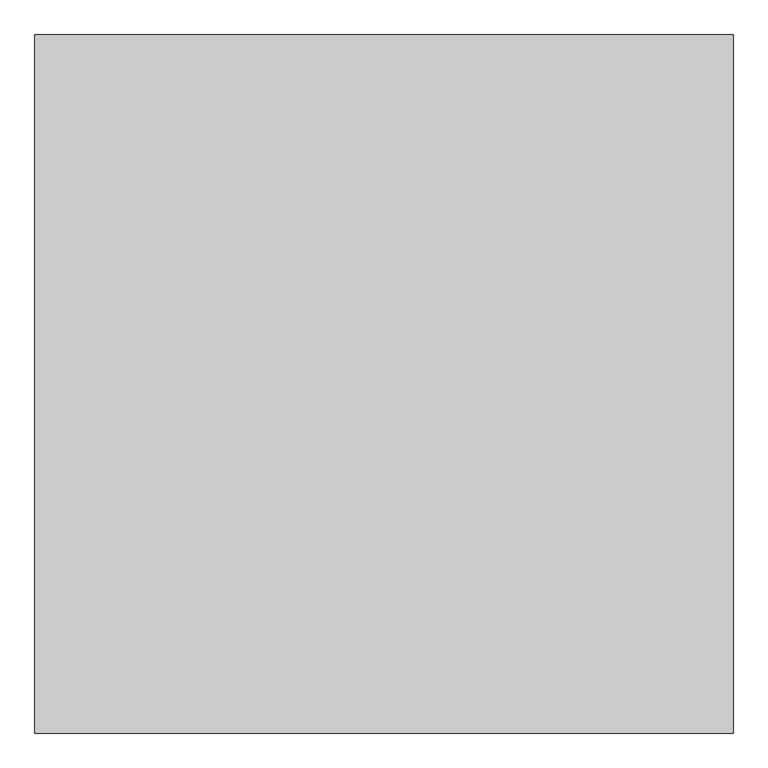
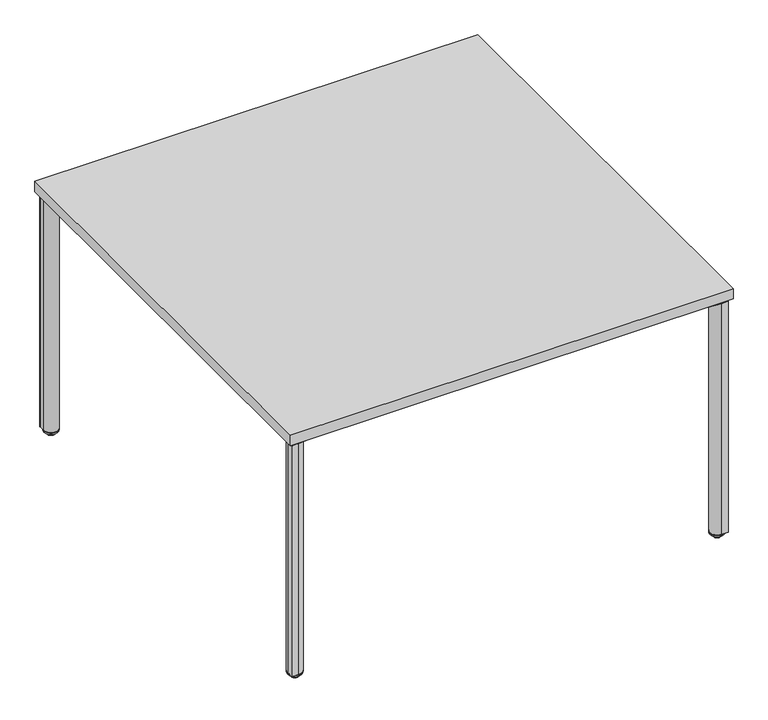
"""IFC4 building model written with IfcOpenShell, lengths in millimetres: furniture geometry."""

from ifc_helpers import new_model, si_unit, point, frame, frame_2d, origin, place, context, project, spatial, polyline, circle_curve, ellipse_curve, trimmed, segment, composite_curve, outline, extrude, source, transform, mapped, element, save
from ifc_brep_helpers import plane_surface, cylinder_surface, revolved_surface, advanced_brep


def furniture_3c464fcd(model_context):
    return source(origin(), model_context, "Body", "SolidModel", [
        extrude(outline(composite_curve([segment(polyline([(1072.9568228, -1162.5527261), (1066.3453386, -1086.9831948)]), True, "CONTINUOUS"), segment(trimmed(circle_curve(frame_2d((1085.3228474, -1085.3228762)), 19.05), [point((1066.3453386, -1086.9831948))], [point((1086.983166, -1066.3453673))], False, "CARTESIAN"), True, "CONTINUOUS"), segment(polyline([(1086.983166, -1066.3453673), (1164.6734847, -1073.1423966)]), True, "CONTINUOUS"), segment(trimmed(circle_curve(frame_2d((1162.7818706, -1094.7636215)), 21.7038146), [point((1164.6734847, -1073.1423966))], [point((1178.128784, -1079.4167059))], False, "CARTESIAN"), True, "CONTINUOUS"), segment(polyline([(1178.128784, -1079.4167059), (1193.7562562, -1095.0441759)]), True, "CONTINUOUS"), segment(trimmed(circle_curve(frame_2d((1172.7913269, -1116.0091081)), 29.6488894), [point((1193.7562562, -1095.0441759))], [point((1202.3273934, -1113.4250373))], False, "CARTESIAN"), True, "CONTINUOUS"), segment(polyline([(1202.3273934, -1113.4250373), (1208.7747643, -1187.1188278), (1208.7747643, -1205.3398699)]), True, "CONTINUOUS"), segment(trimmed(circle_curve(frame_2d((1205.33984, -1205.3398699)), 3.4349243), [point((1208.7747643, -1205.3398699))], [point((1205.33984, -1208.7747942))], False, "CARTESIAN"), True, "CONTINUOUS"), segment(polyline([(1205.33984, -1208.7747942), (1187.1188055, -1208.7747942), (1114.1868378, -1202.3940736)]), True, "CONTINUOUS"), segment(trimmed(circle_curve(frame_2d((1116.9540328, -1170.764892)), 31.75), [point((1114.1868378, -1202.3940736))], [point((1094.5033893, -1193.2155291))], False, "CARTESIAN"), True, "CONTINUOUS"), segment(polyline([(1094.5033893, -1193.2155291), (1080.9220271, -1179.6341631)]), True, "CONTINUOUS"), segment(trimmed(circle_curve(frame_2d((1100.4048647, -1160.1513311)), 27.5528892), [point((1080.9220271, -1179.6341631))], [point((1072.9568228, -1162.5527261))], False, "CARTESIAN"), True, "CONTINUOUS")], self_intersect=False)), frame((0.0, 0.0, 686.384194), z_axis=(0.0, 0.0, 1.0), x_axis=(1.0, 0.0, 0.0)), (0.0, 0.0, 1.0), 7.924807),
        extrude(outline(composite_curve([segment(trimmed(circle_curve(frame_2d((115.624494, -1160.1513311)), 27.5528892), [point((143.0725359, -1162.5527261))], [point((135.1073315, -1179.6341631))], False, "CARTESIAN"), True, "CONTINUOUS"), segment(polyline([(135.1073315, -1179.6341631), (121.5259694, -1193.2155291)]), True, "CONTINUOUS"), segment(trimmed(circle_curve(frame_2d((99.0753259, -1170.764892)), 31.75), [point((121.5259694, -1193.2155291))], [point((101.8425208, -1202.3940736))], False, "CARTESIAN"), True, "CONTINUOUS"), segment(polyline([(101.8425208, -1202.3940736), (28.9105532, -1208.7747942), (10.6895187, -1208.7747942)]), True, "CONTINUOUS"), segment(trimmed(circle_curve(frame_2d((10.6895187, -1205.3398699)), 3.4349243), [point((10.6895187, -1208.7747942))], [point((7.2545944, -1205.3398699))], False, "CARTESIAN"), True, "CONTINUOUS"), segment(polyline([(7.2545944, -1205.3398699), (7.2545944, -1187.1188278), (13.7019653, -1113.4250373)]), True, "CONTINUOUS"), segment(trimmed(circle_curve(frame_2d((43.2380317, -1116.0091081)), 29.6488894), [point((13.7019653, -1113.4250373))], [point((22.2731025, -1095.0441759))], False, "CARTESIAN"), True, "CONTINUOUS"), segment(polyline([(22.2731025, -1095.0441759), (37.9005747, -1079.4167059)]), True, "CONTINUOUS"), segment(trimmed(circle_curve(frame_2d((53.2474881, -1094.7636215)), 21.7038146), [point((37.9005747, -1079.4167059))], [point((51.355874, -1073.1423966))], False, "CARTESIAN"), True, "CONTINUOUS"), segment(polyline([(51.355874, -1073.1423966), (129.0461926, -1066.3453673)]), True, "CONTINUOUS"), segment(trimmed(circle_curve(frame_2d((130.7065113, -1085.3228762)), 19.05), [point((129.0461926, -1066.3453673))], [point((149.6840201, -1086.9831948))], False, "CARTESIAN"), True, "CONTINUOUS"), segment(polyline([(149.6840201, -1086.9831948), (143.0725359, -1162.5527261)]), True, "CONTINUOUS")], self_intersect=False)), frame((0.0, 0.0, 686.384194), z_axis=(0.0, 0.0, 1.0), x_axis=(1.0, 0.0, 0.0)), (0.0, 0.0, 1.0), 7.924807),
        extrude(outline(composite_curve([segment(trimmed(circle_curve(frame_2d((1100.4048647, -55.8736689)), 27.5528892), [point((1072.9568228, -53.4722739))], [point((1080.9220271, -36.3908369))], False, "CARTESIAN"), True, "CONTINUOUS"), segment(polyline([(1080.9220271, -36.3908369), (1094.5033893, -22.8094709)]), True, "CONTINUOUS"), segment(trimmed(circle_curve(frame_2d((1116.9540328, -45.260108)), 31.75), [point((1094.5033893, -22.8094709))], [point((1114.1868378, -13.6309264))], False, "CARTESIAN"), True, "CONTINUOUS"), segment(polyline([(1114.1868378, -13.6309264), (1187.1188055, -7.2502058), (1205.33984, -7.2502058)]), True, "CONTINUOUS"), segment(trimmed(circle_curve(frame_2d((1205.33984, -10.6851301)), 3.4349243), [point((1205.33984, -7.2502058))], [point((1208.7747643, -10.6851301))], False, "CARTESIAN"), True, "CONTINUOUS"), segment(polyline([(1208.7747643, -10.6851301), (1208.7747643, -28.9061722), (1202.3273934, -102.5999627)]), True, "CONTINUOUS"), segment(trimmed(circle_curve(frame_2d((1172.7913269, -100.0158919)), 29.6488894), [point((1202.3273934, -102.5999627))], [point((1193.7562562, -120.9808241))], False, "CARTESIAN"), True, "CONTINUOUS"), segment(polyline([(1193.7562562, -120.9808241), (1178.128784, -136.6082941)]), True, "CONTINUOUS"), segment(trimmed(circle_curve(frame_2d((1162.7818706, -121.2613785)), 21.7038146), [point((1178.128784, -136.6082941))], [point((1164.6734847, -142.8826034))], False, "CARTESIAN"), True, "CONTINUOUS"), segment(polyline([(1164.6734847, -142.8826034), (1086.983166, -149.6796327)]), True, "CONTINUOUS"), segment(trimmed(circle_curve(frame_2d((1085.3228474, -130.7021238)), 19.05), [point((1086.983166, -149.6796327))], [point((1066.3453386, -129.0418052))], False, "CARTESIAN"), True, "CONTINUOUS"), segment(polyline([(1066.3453386, -129.0418052), (1072.9568228, -53.4722739)]), True, "CONTINUOUS")], self_intersect=False)), frame((0.0, 0.0, 686.384194), z_axis=(0.0, 0.0, 1.0), x_axis=(1.0, 0.0, 0.0)), (0.0, 0.0, 1.0), 7.924807),
        extrude(outline(composite_curve([segment(polyline([(143.0725359, -53.4722739), (149.6840201, -129.0418052)]), True, "CONTINUOUS"), segment(trimmed(circle_curve(frame_2d((130.7065113, -130.7021238)), 19.05), [point((149.6840201, -129.0418052))], [point((129.0461926, -149.6796327))], False, "CARTESIAN"), True, "CONTINUOUS"), segment(polyline([(129.0461926, -149.6796327), (51.355874, -142.8826034)]), True, "CONTINUOUS"), segment(trimmed(circle_curve(frame_2d((53.2474881, -121.2613785)), 21.7038146), [point((51.355874, -142.8826034))], [point((37.9005747, -136.6082941))], False, "CARTESIAN"), True, "CONTINUOUS"), segment(polyline([(37.9005747, -136.6082941), (22.2731025, -120.9808241)]), True, "CONTINUOUS"), segment(trimmed(circle_curve(frame_2d((43.2380317, -100.0158919)), 29.6488894), [point((22.2731025, -120.9808241))], [point((13.7019653, -102.5999627))], False, "CARTESIAN"), True, "CONTINUOUS"), segment(polyline([(13.7019653, -102.5999627), (7.2545944, -28.9061722), (7.2545944, -10.6851301)]), True, "CONTINUOUS"), segment(trimmed(circle_curve(frame_2d((10.6895187, -10.6851301)), 3.4349243), [point((7.2545944, -10.6851301))], [point((10.6895187, -7.2502058))], False, "CARTESIAN"), True, "CONTINUOUS"), segment(polyline([(10.6895187, -7.2502058), (28.9105532, -7.2502058), (101.8425208, -13.6309264)]), True, "CONTINUOUS"), segment(trimmed(circle_curve(frame_2d((99.0753259, -45.260108)), 31.75), [point((101.8425208, -13.6309264))], [point((121.5259694, -22.8094709))], False, "CARTESIAN"), True, "CONTINUOUS"), segment(polyline([(121.5259694, -22.8094709), (135.1073315, -36.3908369)]), True, "CONTINUOUS"), segment(trimmed(circle_curve(frame_2d((115.624494, -55.8736689)), 27.5528892), [point((135.1073315, -36.3908369))], [point((143.0725359, -53.4722739))], False, "CARTESIAN"), True, "CONTINUOUS")], self_intersect=False)), frame((0.0, 0.0, 686.384194), z_axis=(0.0, 0.0, 1.0), x_axis=(1.0, 0.0, 0.0)), (0.0, 0.0, 1.0), 7.924807),
        advanced_brep(
        [(1188.0247953, -1168.0447732, 12.8144714), (1188.0247953, -1207.9960971, 12.8144714), (1188.0247953, -1203.0518018, 7.8701761), (1188.0247953, -1172.9890685, 7.8701761), (1188.0247953, -1202.0261175, 7.8701761), (1188.0247953, -1174.0147527, 7.8701761), (1188.0247953, -1202.0261175, 7.0593297), (1188.0247953, -1174.0147527, 7.0593297), (1188.0247953, -1200.1845745, 2.623811), (1188.0247953, -1175.8562958, 2.623811), (1188.0247953, -1197.8068594, 0.2460959), (1188.0247953, -1178.2340109, 0.2460959), (1188.0247953, -1196.8884169, 0.0), (1188.0247953, -1179.1524534, 0.0), (1188.0247953, -1188.0204351, 0.0), (1188.0247953, -1188.0204351, 15.24), (1188.0247953, -1207.9960971, 15.24), (1188.0247953, -1168.0447732, 15.24)],
        [
            (0, 1, circle_curve(frame((1188.0247953, -1188.0204351, 12.8144714), z_axis=(0.0, 0.0, -1.0), x_axis=(0.0, -1.0, 0.0)), 19.9756619)),
            (1, 2, circle_curve(frame((1188.0247953, -1203.0518018, 12.8144714), z_axis=(1.0, 0.0, 0.0), x_axis=(0.0, 1.0, 0.0)), 4.9442953)),
            (2, 3, circle_curve(frame((1188.0247953, -1188.0204351, 7.8701761), z_axis=(0.0, 0.0, 1.0), x_axis=(0.0, -1.0, 0.0)), 15.0313666)),
            (3, 0, circle_curve(frame((1188.0247953, -1172.9890685, 12.8144714), z_axis=(1.0, 0.0, 0.0), x_axis=(0.0, -1.0, 0.0)), 4.9442953)),
            (1, 0, circle_curve(frame((1188.0247953, -1188.0204351, 12.8144714), z_axis=(0.0, 0.0, -1.0), x_axis=(0.0, -1.0, 0.0)), 19.9756619)),
            (3, 2, circle_curve(frame((1188.0247953, -1188.0204351, 7.8701761), z_axis=(0.0, 0.0, 1.0), x_axis=(0.0, -1.0, 0.0)), 15.0313666)),
            (2, 4),
            (4, 5, circle_curve(frame((1188.0247953, -1188.0204351, 7.8701761), z_axis=(0.0, 0.0, 1.0), x_axis=(0.0, -1.0, 0.0)), 14.0056824)),
            (5, 3),
            (5, 4, circle_curve(frame((1188.0247953, -1188.0204351, 7.8701761), z_axis=(0.0, 0.0, 1.0), x_axis=(0.0, -1.0, 0.0)), 14.0056824)),
            (4, 6),
            (6, 7, circle_curve(frame((1188.0247953, -1188.0204351, 7.0593297), z_axis=(0.0, 0.0, 1.0), x_axis=(0.0, -1.0, 0.0)), 14.0056824)),
            (7, 5),
            (7, 6, circle_curve(frame((1188.0247953, -1188.0204351, 7.0593297), z_axis=(0.0, 0.0, 1.0), x_axis=(0.0, -1.0, 0.0)), 14.0056824)),
            (6, 8),
            (8, 9, circle_curve(frame((1188.0247953, -1188.0204351, 2.623811), z_axis=(0.0, 0.0, 1.0), x_axis=(0.0, -1.0, 0.0)), 12.1641393)),
            (9, 7),
            (9, 8, circle_curve(frame((1188.0247953, -1188.0204351, 2.623811), z_axis=(0.0, 0.0, 1.0), x_axis=(0.0, -1.0, 0.0)), 12.1641393)),
            (8, 10),
            (10, 11, circle_curve(frame((1188.0247953, -1188.0204351, 0.2460959), z_axis=(0.0, 0.0, 1.0), x_axis=(0.0, -1.0, 0.0)), 9.7864243)),
            (11, 9),
            (11, 10, circle_curve(frame((1188.0247953, -1188.0204351, 0.2460959), z_axis=(0.0, 0.0, 1.0), x_axis=(0.0, -1.0, 0.0)), 9.7864243)),
            (10, 12),
            (12, 13, circle_curve(frame((1188.0247953, -1188.0204351, 0.0), z_axis=(0.0, 0.0, 1.0), x_axis=(0.0, -1.0, 0.0)), 8.8679818)),
            (13, 11),
            (13, 12, circle_curve(frame((1188.0247953, -1188.0204351, 0.0), z_axis=(0.0, 0.0, 1.0), x_axis=(0.0, -1.0, 0.0)), 8.8679818)),
            (12, 14),
            (14, 13),
            (15, 16),
            (16, 17, circle_curve(frame((1188.0247953, -1188.0204351, 15.24), z_axis=(0.0, 0.0, 1.0), x_axis=(0.0, -1.0, 0.0)), 19.9756619)),
            (17, 15),
            (17, 16, circle_curve(frame((1188.0247953, -1188.0204351, 15.24), z_axis=(0.0, 0.0, 1.0), x_axis=(0.0, -1.0, 0.0)), 19.9756619)),
            (16, 1),
            (0, 17),
        ],
        [
            revolved_surface(trimmed(ellipse_curve(frame((1188.0247953, -1203.0518018, 12.8144714), z_axis=(-1.0, 0.0, 0.0), x_axis=(0.0, 1.0, 0.0)), 4.9442953, 4.9442953), [point((1188.0247953, -1203.0518018, 7.8701761))], [point((1188.0247953, -1207.9960971, 12.8144714))], True, "CARTESIAN"), (1188.0247953, -1188.0204351, 40.64), (0.0, 0.0, 1.0)),
            plane_surface(frame((1188.0247953, -1188.0204351, 7.8701761), z_axis=(0.0, 0.0, -1.0), x_axis=(0.0, -1.0, 0.0))),
            cylinder_surface(frame((1188.0247953, -1188.0204351, 40.64), z_axis=(0.0, 0.0, 1.0), x_axis=(0.0, -1.0, 0.0)), 14.0056824),
            revolved_surface(polyline([(1188.0247953, -1200.1845745, 2.623811), (1188.0247953, -1202.0261175, 7.0593297)]), (1188.0247953, -1188.0204351, 40.64), (0.0, 0.0, 1.0)),
            revolved_surface(polyline([(1188.0247953, -1197.8068594, 0.2460959), (1188.0247953, -1200.1845745, 2.623811)]), (1188.0247953, -1188.0204351, 40.64), (0.0, 0.0, 1.0)),
            revolved_surface(polyline([(1188.0247953, -1196.8884169, 0.0), (1188.0247953, -1197.8068594, 0.2460959)]), (1188.0247953, -1188.0204351, 40.64), (0.0, 0.0, 1.0)),
            plane_surface(frame((1188.0247953, -1188.0204351, 0.0), z_axis=(0.0, 0.0, -1.0), x_axis=(0.0, -1.0, 0.0))),
            plane_surface(frame((1188.0247953, -1188.0204351, 15.24), z_axis=(0.0, 0.0, 1.0), x_axis=(0.0, -1.0, 0.0))),
            cylinder_surface(frame((1188.0247953, -1188.0204351, 40.64), z_axis=(0.0, 0.0, 1.0), x_axis=(0.0, -1.0, 0.0)), 19.9756619),
        ],
        [
            (0, [[1, 2, 3, 4]]),
            (0, [[5, -4, 6, -2]]),
            (1, [[-3, 7, 8, 9]]),
            (1, [[-6, -9, 10, -7]]),
            (2, [[-8, 11, 12, 13]]),
            (2, [[-10, -13, 14, -11]]),
            (3, [[-12, 15, 16, 17]]),
            (3, [[-14, -17, 18, -15]]),
            (4, [[-16, 19, 20, 21]]),
            (4, [[-18, -21, 22, -19]]),
            (5, [[-20, 23, 24, 25]]),
            (5, [[-22, -25, 26, -23]]),
            (6, [[-24, 27, 28]]),
            (6, [[-26, -28, -27]]),
            (7, [[29, 30, 31]]),
            (7, [[-31, 32, -29]]),
            (8, [[-30, 33, -1, 34]]),
            (8, [[-32, -34, -5, -33]]),
        ],
    ),
        advanced_brep(
        [(27.9796875, -1172.9890685, 7.8701761), (27.9796875, -1203.0518018, 7.8701761), (27.9796875, -1207.9960971, 12.8144714), (27.9796875, -1168.0447732, 12.8144714), (27.9796875, -1174.0147527, 7.8701761), (27.9796875, -1202.0261175, 7.8701761), (27.9796875, -1174.0147527, 7.0593297), (27.9796875, -1202.0261175, 7.0593297), (27.9796875, -1175.8562958, 2.623811), (27.9796875, -1200.1845745, 2.623811), (27.9796875, -1178.2340109, 0.2460959), (27.9796875, -1197.8068594, 0.2460959), (27.9796875, -1179.1524534, 0.0), (27.9796875, -1196.8884169, 0.0), (27.9796875, -1188.0204351, 0.0), (27.9796875, -1168.0447732, 15.24), (27.9796875, -1207.9960971, 15.24), (27.9796875, -1188.0204351, 15.24)],
        [
            (0, 1, circle_curve(frame((27.9796875, -1188.0204351, 7.8701761), z_axis=(0.0, 0.0, 1.0), x_axis=(0.0, -1.0, 0.0)), 15.0313666)),
            (1, 2, circle_curve(frame((27.9796875, -1203.0518018, 12.8144714), z_axis=(-1.0, 0.0, 0.0), x_axis=(0.0, 1.0, 0.0)), 4.9442953)),
            (2, 3, circle_curve(frame((27.9796875, -1188.0204351, 12.8144714), z_axis=(0.0, 0.0, -1.0), x_axis=(0.0, -1.0, 0.0)), 19.9756619)),
            (3, 0, circle_curve(frame((27.9796875, -1172.9890685, 12.8144714), z_axis=(-1.0, 0.0, 0.0), x_axis=(0.0, -1.0, 0.0)), 4.9442953)),
            (1, 0, circle_curve(frame((27.9796875, -1188.0204351, 7.8701761), z_axis=(0.0, 0.0, 1.0), x_axis=(0.0, -1.0, 0.0)), 15.0313666)),
            (3, 2, circle_curve(frame((27.9796875, -1188.0204351, 12.8144714), z_axis=(0.0, 0.0, -1.0), x_axis=(0.0, -1.0, 0.0)), 19.9756619)),
            (4, 5, circle_curve(frame((27.9796875, -1188.0204351, 7.8701761), z_axis=(0.0, 0.0, 1.0), x_axis=(0.0, -1.0, 0.0)), 14.0056824)),
            (5, 1),
            (0, 4),
            (5, 4, circle_curve(frame((27.9796875, -1188.0204351, 7.8701761), z_axis=(0.0, 0.0, 1.0), x_axis=(0.0, -1.0, 0.0)), 14.0056824)),
            (6, 7, circle_curve(frame((27.9796875, -1188.0204351, 7.0593297), z_axis=(0.0, 0.0, 1.0), x_axis=(0.0, -1.0, 0.0)), 14.0056824)),
            (7, 5),
            (4, 6),
            (7, 6, circle_curve(frame((27.9796875, -1188.0204351, 7.0593297), z_axis=(0.0, 0.0, 1.0), x_axis=(0.0, -1.0, 0.0)), 14.0056824)),
            (8, 9, circle_curve(frame((27.9796875, -1188.0204351, 2.623811), z_axis=(0.0, 0.0, 1.0), x_axis=(0.0, -1.0, 0.0)), 12.1641393)),
            (9, 7),
            (6, 8),
            (9, 8, circle_curve(frame((27.9796875, -1188.0204351, 2.623811), z_axis=(0.0, 0.0, 1.0), x_axis=(0.0, -1.0, 0.0)), 12.1641393)),
            (10, 11, circle_curve(frame((27.9796875, -1188.0204351, 0.2460959), z_axis=(0.0, 0.0, 1.0), x_axis=(0.0, -1.0, 0.0)), 9.7864243)),
            (11, 9),
            (8, 10),
            (11, 10, circle_curve(frame((27.9796875, -1188.0204351, 0.2460959), z_axis=(0.0, 0.0, 1.0), x_axis=(0.0, -1.0, 0.0)), 9.7864243)),
            (12, 13, circle_curve(frame((27.9796875, -1188.0204351, 0.0), z_axis=(0.0, 0.0, 1.0), x_axis=(0.0, -1.0, 0.0)), 8.8679818)),
            (13, 11),
            (10, 12),
            (13, 12, circle_curve(frame((27.9796875, -1188.0204351, 0.0), z_axis=(0.0, 0.0, 1.0), x_axis=(0.0, -1.0, 0.0)), 8.8679818)),
            (14, 13),
            (12, 14),
            (15, 16, circle_curve(frame((27.9796875, -1188.0204351, 15.24), z_axis=(0.0, 0.0, 1.0), x_axis=(0.0, -1.0, 0.0)), 19.9756619)),
            (16, 17),
            (17, 15),
            (16, 15, circle_curve(frame((27.9796875, -1188.0204351, 15.24), z_axis=(0.0, 0.0, 1.0), x_axis=(0.0, -1.0, 0.0)), 19.9756619)),
            (2, 16),
            (15, 3),
        ],
        [
            revolved_surface(trimmed(ellipse_curve(frame((27.9796875, -1203.0518018, 12.8144714), z_axis=(1.0, 0.0, 0.0), x_axis=(0.0, 1.0, 0.0)), 4.9442953, 4.9442953), [point((27.9796875, -1207.9960971, 12.8144714))], [point((27.9796875, -1203.0518018, 7.8701761))], True, "CARTESIAN"), (27.9796875, -1188.0204351, 40.64), (0.0, 0.0, -1.0)),
            plane_surface(frame((27.9796875, -1188.0204351, 7.8701761), z_axis=(0.0, 0.0, -1.0), x_axis=(0.0, -1.0, 0.0))),
            cylinder_surface(frame((27.9796875, -1188.0204351, 40.64), z_axis=(0.0, 0.0, -1.0), x_axis=(0.0, -1.0, 0.0)), 14.0056824),
            revolved_surface(polyline([(27.9796875, -1202.0261175, 7.0593297), (27.9796875, -1200.1845745, 2.623811)]), (27.9796875, -1188.0204351, 40.64), (0.0, 0.0, -1.0)),
            revolved_surface(polyline([(27.9796875, -1200.1845745, 2.623811), (27.9796875, -1197.8068594, 0.2460959)]), (27.9796875, -1188.0204351, 40.64), (0.0, 0.0, -1.0)),
            revolved_surface(polyline([(27.9796875, -1197.8068594, 0.2460959), (27.9796875, -1196.8884169, 0.0)]), (27.9796875, -1188.0204351, 40.64), (0.0, 0.0, -1.0)),
            plane_surface(frame((27.9796875, -1188.0204351, 0.0), z_axis=(0.0, 0.0, -1.0), x_axis=(0.0, -1.0, 0.0))),
            plane_surface(frame((27.9796875, -1188.0204351, 15.24), z_axis=(0.0, 0.0, 1.0), x_axis=(0.0, -1.0, 0.0))),
            cylinder_surface(frame((27.9796875, -1188.0204351, 40.64), z_axis=(0.0, 0.0, -1.0), x_axis=(0.0, -1.0, 0.0)), 19.9756619),
        ],
        [
            (0, [[1, 2, 3, 4]]),
            (0, [[5, -4, 6, -2]]),
            (1, [[7, 8, -1, 9]]),
            (1, [[10, -9, -5, -8]]),
            (2, [[11, 12, -7, 13]]),
            (2, [[14, -13, -10, -12]]),
            (3, [[15, 16, -11, 17]]),
            (3, [[18, -17, -14, -16]]),
            (4, [[19, 20, -15, 21]]),
            (4, [[22, -21, -18, -20]]),
            (5, [[23, 24, -19, 25]]),
            (5, [[26, -25, -22, -24]]),
            (6, [[27, -23, 28]]),
            (6, [[-28, -26, -27]]),
            (7, [[29, 30, 31]]),
            (7, [[32, -31, -30]]),
            (8, [[-3, 33, -29, 34]]),
            (8, [[-6, -34, -32, -33]]),
        ],
    ),
        advanced_brep(
        [(1168.0120074, -27.9300781, 12.7759073), (1208.0127953, -27.9300781, 12.7759073), (1203.1070641, -27.9300781, 7.8701761), (1172.9177386, -27.9300781, 7.8701761), (1202.0840387, -27.9300781, 7.8701761), (1173.940764, -27.9300781, 7.8701761), (1202.0840387, -27.9300781, 7.0593297), (1173.940764, -27.9300781, 7.0593297), (1200.2012727, -27.9300781, 2.623811), (1175.82353, -27.9300781, 2.623811), (1197.8235576, -27.9300781, 0.2460959), (1178.201245, -27.9300781, 0.2460959), (1196.9051151, -27.9300781, 0.0), (1179.1196875, -27.9300781, 0.0), (1188.0124013, -27.9300781, 0.0), (1188.0124013, -27.9300781, 15.24), (1208.0127953, -27.9300781, 15.24), (1168.0120074, -27.9300781, 15.24)],
        [
            (0, 1, circle_curve(frame((1188.0124013, -27.9300781, 12.7759073), z_axis=(0.0, 0.0, -1.0), x_axis=(1.0, 0.0, 0.0)), 20.0003939)),
            (1, 2, circle_curve(frame((1203.1070641, -27.9300781, 12.7759073), z_axis=(0.0, 1.0, 0.0), x_axis=(-1.0, 0.0, 0.0)), 4.9057312)),
            (2, 3, circle_curve(frame((1188.0124013, -27.9300781, 7.8701761), z_axis=(0.0, 0.0, 1.0), x_axis=(1.0, 0.0, 0.0)), 15.0946628)),
            (3, 0, circle_curve(frame((1172.9177386, -27.9300781, 12.7759073), z_axis=(0.0, 1.0, 0.0), x_axis=(1.0, 0.0, 0.0)), 4.9057312)),
            (1, 0, circle_curve(frame((1188.0124013, -27.9300781, 12.7759073), z_axis=(0.0, 0.0, -1.0), x_axis=(1.0, 0.0, 0.0)), 20.0003939)),
            (3, 2, circle_curve(frame((1188.0124013, -27.9300781, 7.8701761), z_axis=(0.0, 0.0, 1.0), x_axis=(1.0, 0.0, 0.0)), 15.0946628)),
            (2, 4),
            (4, 5, circle_curve(frame((1188.0124013, -27.9300781, 7.8701761), z_axis=(0.0, 0.0, 1.0), x_axis=(1.0, 0.0, 0.0)), 14.0716373)),
            (5, 3),
            (5, 4, circle_curve(frame((1188.0124013, -27.9300781, 7.8701761), z_axis=(0.0, 0.0, 1.0), x_axis=(1.0, 0.0, 0.0)), 14.0716373)),
            (4, 6),
            (6, 7, circle_curve(frame((1188.0124013, -27.9300781, 7.0593297), z_axis=(0.0, 0.0, 1.0), x_axis=(1.0, 0.0, 0.0)), 14.0716373)),
            (7, 5),
            (7, 6, circle_curve(frame((1188.0124013, -27.9300781, 7.0593297), z_axis=(0.0, 0.0, 1.0), x_axis=(1.0, 0.0, 0.0)), 14.0716373)),
            (6, 8),
            (8, 9, circle_curve(frame((1188.0124013, -27.9300781, 2.623811), z_axis=(0.0, 0.0, 1.0), x_axis=(1.0, 0.0, 0.0)), 12.1888713)),
            (9, 7),
            (9, 8, circle_curve(frame((1188.0124013, -27.9300781, 2.623811), z_axis=(0.0, 0.0, 1.0), x_axis=(1.0, 0.0, 0.0)), 12.1888713)),
            (8, 10),
            (10, 11, circle_curve(frame((1188.0124013, -27.9300781, 0.2460959), z_axis=(0.0, 0.0, 1.0), x_axis=(1.0, 0.0, 0.0)), 9.8111563)),
            (11, 9),
            (11, 10, circle_curve(frame((1188.0124013, -27.9300781, 0.2460959), z_axis=(0.0, 0.0, 1.0), x_axis=(1.0, 0.0, 0.0)), 9.8111563)),
            (10, 12),
            (12, 13, circle_curve(frame((1188.0124013, -27.9300781, 0.0), z_axis=(0.0, 0.0, 1.0), x_axis=(1.0, 0.0, 0.0)), 8.8927138)),
            (13, 11),
            (13, 12, circle_curve(frame((1188.0124013, -27.9300781, 0.0), z_axis=(0.0, 0.0, 1.0), x_axis=(1.0, 0.0, 0.0)), 8.8927138)),
            (12, 14),
            (14, 13),
            (15, 16),
            (16, 17, circle_curve(frame((1188.0124013, -27.9300781, 15.24), z_axis=(0.0, 0.0, 1.0), x_axis=(1.0, 0.0, 0.0)), 20.0003939)),
            (17, 15),
            (17, 16, circle_curve(frame((1188.0124013, -27.9300781, 15.24), z_axis=(0.0, 0.0, 1.0), x_axis=(1.0, 0.0, 0.0)), 20.0003939)),
            (16, 1),
            (0, 17),
        ],
        [
            revolved_surface(trimmed(ellipse_curve(frame((1203.1070641, -27.9300781, 12.7759073), z_axis=(0.0, -1.0, 0.0), x_axis=(-1.0, 0.0, 0.0)), 4.9057312, 4.9057312), [point((1203.1070641, -27.9300781, 7.8701761))], [point((1208.0127953, -27.9300781, 12.7759073))], True, "CARTESIAN"), (1188.0124013, -27.9300781, -11.2120944), (0.0, 0.0, 1.0)),
            plane_surface(frame((1188.0124013, -27.9300781, 7.8701761), z_axis=(0.0, 0.0, -1.0), x_axis=(1.0, 0.0, 0.0))),
            cylinder_surface(frame((1188.0124013, -27.9300781, -11.2120944), z_axis=(0.0, 0.0, 1.0), x_axis=(1.0, 0.0, 0.0)), 14.0716373),
            revolved_surface(polyline([(1200.2012727, -27.9300781, 2.623811), (1202.0840387, -27.9300781, 7.0593297)]), (1188.0124013, -27.9300781, -11.2120944), (0.0, 0.0, 1.0)),
            revolved_surface(polyline([(1197.8235576, -27.9300781, 0.2460959), (1200.2012727, -27.9300781, 2.623811)]), (1188.0124013, -27.9300781, -11.2120944), (0.0, 0.0, 1.0)),
            revolved_surface(polyline([(1196.9051151, -27.9300781, 0.0), (1197.8235576, -27.9300781, 0.2460959)]), (1188.0124013, -27.9300781, -11.2120944), (0.0, 0.0, 1.0)),
            plane_surface(frame((1188.0124013, -27.9300781, 0.0), z_axis=(0.0, 0.0, -1.0), x_axis=(1.0, 0.0, 0.0))),
            plane_surface(frame((1188.0124013, -27.9300781, 15.24), z_axis=(0.0, 0.0, 1.0), x_axis=(1.0, 0.0, 0.0))),
            cylinder_surface(frame((1188.0124013, -27.9300781, -11.2120944), z_axis=(0.0, 0.0, 1.0), x_axis=(1.0, 0.0, 0.0)), 20.0003939),
        ],
        [
            (0, [[1, 2, 3, 4]]),
            (0, [[5, -4, 6, -2]]),
            (1, [[-3, 7, 8, 9]]),
            (1, [[-6, -9, 10, -7]]),
            (2, [[-8, 11, 12, 13]]),
            (2, [[-10, -13, 14, -11]]),
            (3, [[-12, 15, 16, 17]]),
            (3, [[-14, -17, 18, -15]]),
            (4, [[-16, 19, 20, 21]]),
            (4, [[-18, -21, 22, -19]]),
            (5, [[-20, 23, 24, 25]]),
            (5, [[-22, -25, 26, -23]]),
            (6, [[-24, 27, 28]]),
            (6, [[-26, -28, -27]]),
            (7, [[29, 30, 31]]),
            (7, [[-31, 32, -29]]),
            (8, [[-30, 33, -1, 34]]),
            (8, [[-32, -34, -5, -33]]),
        ],
    ),
        advanced_brep(
        [(43.0948591, -27.9300781, 7.8701761), (12.9055336, -27.9300781, 7.8701761), (7.9998024, -27.9300781, 12.7759073), (48.0005903, -27.9300781, 12.7759073), (42.0718337, -27.9300781, 7.8701761), (13.928559, -27.9300781, 7.8701761), (42.0718337, -27.9300781, 7.0593297), (13.928559, -27.9300781, 7.0593297), (40.1890677, -27.9300781, 2.623811), (15.811325, -27.9300781, 2.623811), (37.8113526, -27.9300781, 0.2460959), (18.18904, -27.9300781, 0.2460959), (36.8929101, -27.9300781, 0.0), (19.1074826, -27.9300781, 0.0), (28.0001963, -27.9300781, 0.0), (48.0005903, -27.9300781, 15.24), (7.9998024, -27.9300781, 15.24), (28.0001963, -27.9300781, 15.24)],
        [
            (0, 1, circle_curve(frame((28.0001963, -27.9300781, 7.8701761), z_axis=(0.0, 0.0, 1.0), x_axis=(-1.0, 0.0, 0.0)), 15.0946628)),
            (1, 2, circle_curve(frame((12.9055336, -27.9300781, 12.7759073), z_axis=(0.0, 1.0, 0.0), x_axis=(1.0, 0.0, 0.0)), 4.9057312)),
            (2, 3, circle_curve(frame((28.0001963, -27.9300781, 12.7759073), z_axis=(0.0, 0.0, -1.0), x_axis=(-1.0, 0.0, 0.0)), 20.0003939)),
            (3, 0, circle_curve(frame((43.0948591, -27.9300781, 12.7759073), z_axis=(0.0, 1.0, 0.0), x_axis=(-1.0, 0.0, 0.0)), 4.9057312)),
            (1, 0, circle_curve(frame((28.0001963, -27.9300781, 7.8701761), z_axis=(0.0, 0.0, 1.0), x_axis=(-1.0, 0.0, 0.0)), 15.0946628)),
            (3, 2, circle_curve(frame((28.0001963, -27.9300781, 12.7759073), z_axis=(0.0, 0.0, -1.0), x_axis=(-1.0, 0.0, 0.0)), 20.0003939)),
            (4, 5, circle_curve(frame((28.0001963, -27.9300781, 7.8701761), z_axis=(0.0, 0.0, 1.0), x_axis=(-1.0, 0.0, 0.0)), 14.0716373)),
            (5, 1),
            (0, 4),
            (5, 4, circle_curve(frame((28.0001963, -27.9300781, 7.8701761), z_axis=(0.0, 0.0, 1.0), x_axis=(-1.0, 0.0, 0.0)), 14.0716373)),
            (6, 7, circle_curve(frame((28.0001963, -27.9300781, 7.0593297), z_axis=(0.0, 0.0, 1.0), x_axis=(-1.0, 0.0, 0.0)), 14.0716373)),
            (7, 5),
            (4, 6),
            (7, 6, circle_curve(frame((28.0001963, -27.9300781, 7.0593297), z_axis=(0.0, 0.0, 1.0), x_axis=(-1.0, 0.0, 0.0)), 14.0716373)),
            (8, 9, circle_curve(frame((28.0001963, -27.9300781, 2.623811), z_axis=(0.0, 0.0, 1.0), x_axis=(-1.0, 0.0, 0.0)), 12.1888713)),
            (9, 7),
            (6, 8),
            (9, 8, circle_curve(frame((28.0001963, -27.9300781, 2.623811), z_axis=(0.0, 0.0, 1.0), x_axis=(-1.0, 0.0, 0.0)), 12.1888713)),
            (10, 11, circle_curve(frame((28.0001963, -27.9300781, 0.2460959), z_axis=(0.0, 0.0, 1.0), x_axis=(-1.0, 0.0, 0.0)), 9.8111563)),
            (11, 9),
            (8, 10),
            (11, 10, circle_curve(frame((28.0001963, -27.9300781, 0.2460959), z_axis=(0.0, 0.0, 1.0), x_axis=(-1.0, 0.0, 0.0)), 9.8111563)),
            (12, 13, circle_curve(frame((28.0001963, -27.9300781, 0.0), z_axis=(0.0, 0.0, 1.0), x_axis=(-1.0, 0.0, 0.0)), 8.8927138)),
            (13, 11),
            (10, 12),
            (13, 12, circle_curve(frame((28.0001963, -27.9300781, 0.0), z_axis=(0.0, 0.0, 1.0), x_axis=(-1.0, 0.0, 0.0)), 8.8927138)),
            (14, 13),
            (12, 14),
            (15, 16, circle_curve(frame((28.0001963, -27.9300781, 15.24), z_axis=(0.0, 0.0, 1.0), x_axis=(-1.0, 0.0, 0.0)), 20.0003939)),
            (16, 17),
            (17, 15),
            (16, 15, circle_curve(frame((28.0001963, -27.9300781, 15.24), z_axis=(0.0, 0.0, 1.0), x_axis=(-1.0, 0.0, 0.0)), 20.0003939)),
            (2, 16),
            (15, 3),
        ],
        [
            revolved_surface(trimmed(ellipse_curve(frame((12.9055336, -27.9300781, 12.7759073), z_axis=(0.0, -1.0, 0.0), x_axis=(1.0, 0.0, 0.0)), 4.9057312, 4.9057312), [point((7.9998024, -27.9300781, 12.7759073))], [point((12.9055336, -27.9300781, 7.8701761))], True, "CARTESIAN"), (28.0001963, -27.9300781, -11.2120944), (0.0, 0.0, -1.0)),
            plane_surface(frame((28.0001963, -27.9300781, 7.8701761), z_axis=(0.0, 0.0, -1.0), x_axis=(-1.0, 0.0, 0.0))),
            cylinder_surface(frame((28.0001963, -27.9300781, -11.2120944), z_axis=(0.0, 0.0, -1.0), x_axis=(-1.0, 0.0, 0.0)), 14.0716373),
            revolved_surface(polyline([(13.928559, -27.9300781, 7.0593297), (15.811325, -27.9300781, 2.623811)]), (28.0001963, -27.9300781, -11.2120944), (0.0, 0.0, -1.0)),
            revolved_surface(polyline([(15.811325, -27.9300781, 2.623811), (18.18904, -27.9300781, 0.2460959)]), (28.0001963, -27.9300781, -11.2120944), (0.0, 0.0, -1.0)),
            revolved_surface(polyline([(18.18904, -27.9300781, 0.2460959), (19.1074826, -27.9300781, 0.0)]), (28.0001963, -27.9300781, -11.2120944), (0.0, 0.0, -1.0)),
            plane_surface(frame((28.0001963, -27.9300781, 0.0), z_axis=(0.0, 0.0, -1.0), x_axis=(-1.0, 0.0, 0.0))),
            plane_surface(frame((28.0001963, -27.9300781, 15.24), z_axis=(0.0, 0.0, 1.0), x_axis=(-1.0, 0.0, 0.0))),
            cylinder_surface(frame((28.0001963, -27.9300781, -11.2120944), z_axis=(0.0, 0.0, -1.0), x_axis=(-1.0, 0.0, 0.0)), 20.0003939),
        ],
        [
            (0, [[1, 2, 3, 4]]),
            (0, [[5, -4, 6, -2]]),
            (1, [[7, 8, -1, 9]]),
            (1, [[10, -9, -5, -8]]),
            (2, [[11, 12, -7, 13]]),
            (2, [[14, -13, -10, -12]]),
            (3, [[15, 16, -11, 17]]),
            (3, [[18, -17, -14, -16]]),
            (4, [[19, 20, -15, 21]]),
            (4, [[22, -21, -18, -20]]),
            (5, [[23, 24, -19, 25]]),
            (5, [[26, -25, -22, -24]]),
            (6, [[27, -23, 28]]),
            (6, [[-28, -26, -27]]),
            (7, [[29, 30, 31]]),
            (7, [[32, -31, -30]]),
            (8, [[-3, 33, -29, 34]]),
            (8, [[-6, -34, -32, -33]]),
        ],
    ),
        extrude(outline(composite_curve([segment(polyline([(28.0001963, -1207.9594351), (8.0611963, -1207.9594351), (8.0611963, -1188.0204351)]), True, "CONTINUOUS"), segment(trimmed(circle_curve(frame_2d((28.0001963, -1188.0204351)), 19.939), [point((8.0611963, -1188.0204351))], [point((28.0001963, -1207.9594351))], False, "CARTESIAN"), True, "CONTINUOUS")], self_intersect=False)), frame((0.0, 0.0, 15.24), z_axis=(0.0, 0.0, 1.0), x_axis=(1.0, 0.0, 0.0)), (0.0, 0.0, 1.0), 671.144194),
        extrude(outline(composite_curve([segment(trimmed(circle_curve(frame_2d((1188.0247953, -1188.0204351)), 19.939), [point((1188.0247953, -1207.9594351))], [point((1207.9637953, -1188.0204351))], False, "CARTESIAN"), True, "CONTINUOUS"), segment(polyline([(1207.9637953, -1188.0204351), (1207.9637953, -1207.9594351), (1188.0247953, -1207.9594351)]), True, "CONTINUOUS")], self_intersect=False)), frame((0.0, 0.0, 15.24), z_axis=(0.0, 0.0, 1.0), x_axis=(1.0, 0.0, 0.0)), (0.0, 0.0, 1.0), 671.144194),
        extrude(outline(composite_curve([segment(polyline([(1188.0247953, -8.0612031), (1205.3100889, -8.0612031)]), True, "CONTINUOUS"), segment(trimmed(circle_curve(frame_2d((1205.3100889, -10.7149096)), 2.6537064), [point((1205.3100889, -8.0612031))], [point((1207.9637953, -10.7149096))], False, "CARTESIAN"), True, "CONTINUOUS"), segment(polyline([(1207.9637953, -10.7149096), (1207.9637953, -28.0002031)]), True, "CONTINUOUS"), segment(trimmed(circle_curve(frame_2d((1188.0247953, -28.0002031)), 19.939), [point((1207.9637953, -28.0002031))], [point((1188.0247953, -8.0612031))], False, "CARTESIAN"), True, "CONTINUOUS")], self_intersect=False)), frame((0.0, 0.0, 15.24), z_axis=(0.0, 0.0, 1.0), x_axis=(1.0, 0.0, 0.0)), (0.0, 0.0, 1.0), 671.144194),
        extrude(outline(composite_curve([segment(trimmed(circle_curve(frame_2d((28.0001963, -28.0002031)), 19.939), [point((28.0001963, -8.0612031))], [point((8.0611963, -28.0002031))], False, "CARTESIAN"), True, "CONTINUOUS"), segment(polyline([(8.0611963, -28.0002031), (8.0611963, -10.8667119)]), True, "CONTINUOUS"), segment(trimmed(circle_curve(frame_2d((10.8667051, -10.8667119)), 2.8055087), [point((8.0611963, -10.8667119))], [point((10.8667051, -8.0612031))], False, "CARTESIAN"), True, "CONTINUOUS"), segment(polyline([(10.8667051, -8.0612031), (28.0001963, -8.0612031)]), True, "CONTINUOUS")], self_intersect=False)), frame((0.0, 0.0, 15.24), z_axis=(0.0, 0.0, 1.0), x_axis=(1.0, 0.0, 0.0)), (0.0, 0.0, 1.0), 671.144194),
        extrude(outline(polyline([(0.0, -1216.0249758), (0.0, 0.0), (1216.0249758, 0.0), (1216.0249758, -1216.0249758), (0.0, -1216.0249758)])), frame((0.0, 0.0, 694.309001), z_axis=(0.0, 0.0, 1.0), x_axis=(1.0, 0.0, 0.0)), (0.0, 0.0, 1.0), 29.5899817),
    ])


if __name__ == "__main__":
    model = new_model("IFC4")
    model_context = context("Model", 3, world=origin())
    ifc_project = project(units=[si_unit("LENGTHUNIT", "METRE", prefix="MILLI")], contexts=[model_context])
    site = spatial("IfcSite", under=ifc_project)
    building = spatial("IfcBuilding", under=site)
    placement = place(None, origin())
    furniture_shape = furniture_3c464fcd(model_context)
    element("IfcFurniture", 1, at=placement, inside=building, context=model_context, shape_type="MappedRepresentation", body=[
        mapped(furniture_shape, transform((0.0, 0.0, 0.0), x_axis=(1.0, 0.0, 0.0), y_axis=(0.0, 1.0, 0.0), z_axis=(0.0, 0.0, 1.0))),
    ])
    save(model, "model.ifc")
